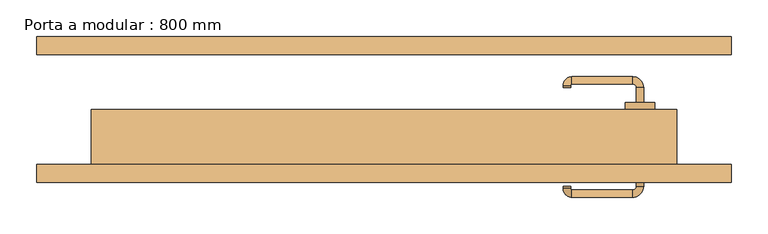
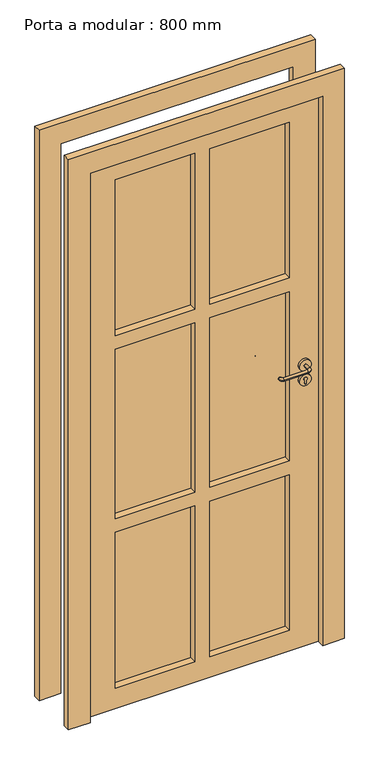
"""IFC4 building model written with IfcOpenShell, lengths in millimetres: door geometry, Porta a modular : 800 mm."""

from ifc_helpers import new_model, si_unit, point, frame, frame_2d, origin, origin_with_axes, place, context, project, spatial, polyline, circle_curve, ellipse_curve, trimmed, segment, composite_curve, outline, extrude, source, transform, mapped, element, save
from ifc_brep_helpers import plane_surface, cylinder_surface, revolved_surface, advanced_brep


def porta_a_modular_800_mm_17dca36c(model_context):
    return source(origin(), model_context, "Body", "SolidModel", [
        extrude(outline(composite_curve([segment(polyline([(962.8763376, 352.3084346), (974.135018, 352.3084346)]), True, "CONTINUOUS"), segment(trimmed(circle_curve(frame_2d((979.4570568, 350.0)), 5.8011178), [point((974.135018, 352.3084346))], [point((974.135018, 347.6915654))], False, "CARTESIAN"), True, "CONTINUOUS"), segment(polyline([(974.135018, 347.6915654), (962.8763376, 347.6915654)]), True, "CONTINUOUS"), segment(trimmed(circle_curve(frame_2d((962.8763376, 350.0056608)), 2.3140954), [point((962.8763376, 347.6915654))], [point((960.5622491, 350.0))], False, "CARTESIAN"), True, "CONTINUOUS"), segment(trimmed(circle_curve(frame_2d((962.8763376, 349.9943392)), 2.3140954), [point((960.5622491, 350.0))], [point((962.8763376, 352.3084346))], False, "CARTESIAN"), True, "CONTINUOUS")], self_intersect=False)), frame((0.0, 5.0, 0.0), z_axis=(0.0, 1.0, 0.0), x_axis=(0.0, 0.0, 1.0)), (0.0, 0.0, 1.0), 5.0),
        extrude(outline(composite_curve([segment(trimmed(circle_curve(frame_2d((974.8079154, 350.0)), 20.0), [point((974.8079154, 370.0))], [point((974.8079154, 330.0))], False, "CARTESIAN"), True, "CONTINUOUS"), segment(trimmed(circle_curve(frame_2d((974.8079154, 350.0)), 20.0), [point((974.8079154, 330.0))], [point((974.8079154, 370.0))], False, "CARTESIAN"), True, "CONTINUOUS")], self_intersect=False)), frame((0.0, 0.0, 0.0), z_axis=(0.0, 1.0, 0.0), x_axis=(0.0, 0.0, 1.0)), (0.0, 0.0, 1.0), 10.0),
        advanced_brep(
        [(355.0, 5.0, 1027.5), (345.0, 5.0, 1027.5), (345.0, 30.0, 1027.5), (355.0, 30.0, 1027.5), (340.0, 45.0, 1027.5), (340.0, 35.0, 1027.5), (245.0, 30.0, 1027.5), (255.0, 30.0, 1027.5), (257.0175282, 35.0, 1027.5), (257.0175282, 45.0, 1027.5), (245.0, 32.9824718, 1027.5), (255.0, 32.9824718, 1027.5)],
        [
            (0, 1, circle_curve(frame((350.0, 5.0, 1027.5), z_axis=(0.0, -1.0, 0.0), x_axis=(-1.0000000000000004, 0.0, 0.0)), 5.0)),
            (1, 0, circle_curve(frame((350.0, 5.0, 1027.5), z_axis=(0.0, -1.0, 0.0), x_axis=(-1.0000000000000004, 0.0, 0.0)), 5.0)),
            (1, 2),
            (2, 3, circle_curve(frame((350.0, 30.0, 1027.5), z_axis=(0.0, -1.0, 0.0), x_axis=(-1.0000000000000004, 0.0, 0.0)), 5.0)),
            (3, 0),
            (3, 2, circle_curve(frame((350.0, 30.0, 1027.5), z_axis=(0.0, -1.0, 0.0), x_axis=(-1.0000000000000004, 0.0, 0.0)), 5.0)),
            (4, 3, circle_curve(frame((340.0, 30.0, 1027.5), z_axis=(0.0, 0.0, -1.0), x_axis=(1.0000000000000004, 0.0, 0.0)), 15.0)),
            (2, 5, circle_curve(frame((340.0, 30.0, 1027.5), z_axis=(0.0, 0.0, 1.0), x_axis=(1.0000000000000004, 0.0, 0.0)), 5.0)),
            (5, 4, circle_curve(frame((340.0, 40.0, 1027.5), z_axis=(1.0000000000000004, 0.0, 0.0), x_axis=(0.0, -1.0000000000000004, 0.0)), 5.0)),
            (4, 5, circle_curve(frame((340.0, 40.0, 1027.5), z_axis=(1.0000000000000004, 0.0, 0.0), x_axis=(0.0, -1.0000000000000004, 0.0)), 5.0)),
            (6, 7, circle_curve(frame((250.0, 30.0, 1027.5), z_axis=(0.0, -1.0, 0.0), x_axis=(1.0000000000000004, 0.0, 0.0)), 5.0)),
            (7, 6, circle_curve(frame((250.0, 30.0, 1027.5), z_axis=(0.0, -1.0, 0.0), x_axis=(1.0000000000000004, 0.0, 0.0)), 5.0)),
            (5, 8),
            (8, 9, circle_curve(frame((257.0175282, 40.0, 1027.5), z_axis=(1.0, 0.0, 0.0), x_axis=(0.0, -1.0000000000000004, 0.0)), 5.0)),
            (9, 4),
            (9, 8, circle_curve(frame((257.0175282, 40.0, 1027.5), z_axis=(1.0, 0.0, 0.0), x_axis=(0.0, -1.0000000000000004, 0.0)), 5.0)),
            (10, 9, circle_curve(frame((257.0175282, 32.9824718, 1027.5), z_axis=(0.0, 0.0, -1.0), x_axis=(0.0, 1.0000000000000004, 0.0)), 12.0175282)),
            (8, 11, circle_curve(frame((257.0175282, 32.9824718, 1027.5), z_axis=(0.0, 0.0, 1.0), x_axis=(0.0, 1.0000000000000004, 0.0)), 2.0175282)),
            (11, 10, circle_curve(frame((250.0, 32.9824718, 1027.5), z_axis=(0.0, 1.0000000000000004, 0.0), x_axis=(1.0000000000000004, 0.0, 0.0)), 5.0)),
            (10, 11, circle_curve(frame((250.0, 32.9824718, 1027.5), z_axis=(0.0, 1.0000000000000004, 0.0), x_axis=(1.0000000000000004, 0.0, 0.0)), 5.0)),
            (11, 7),
            (6, 10),
        ],
        [
            plane_surface(frame((350.0, 5.0, 127.5), z_axis=(0.0, -1.0, 0.0), x_axis=(0.0, 0.0, 1.0))),
            cylinder_surface(frame((350.0, 5.0, 1027.5), z_axis=(0.0, -1.0000000000000004, 0.0), x_axis=(-1.0000000000000004, 0.0, 0.0)), 5.0),
            revolved_surface(trimmed(ellipse_curve(frame((350.0, 30.0, 1027.5), z_axis=(0.0, -1.0000000000000004, 0.0), x_axis=(-1.0000000000000004, 0.0, 0.0)), 5.0, 5.0), [point((345.0, 30.0, 1027.5))], [point((355.0, 30.0, 1027.5))], True, "CARTESIAN"), (340.0, 30.0, 127.5), (0.0, 0.0, 1.0)),
            revolved_surface(trimmed(ellipse_curve(frame((350.0, 30.0, 1027.5), z_axis=(0.0, -1.0000000000000004, 0.0), x_axis=(-1.0000000000000004, 0.0, 0.0)), 5.0, 5.0), [point((355.0, 30.0, 1027.5))], [point((345.0, 30.0, 1027.5))], True, "CARTESIAN"), (340.0, 30.0, 127.5), (0.0, 0.0, 1.0)),
            plane_surface(frame((250.0, 30.0, 127.5), z_axis=(0.0, -1.0, 0.0), x_axis=(0.0, 0.0, 1.0))),
            cylinder_surface(frame((340.0, 40.0, 1027.5), z_axis=(1.0000000000000004, 0.0, 0.0), x_axis=(0.0, -1.0000000000000004, 0.0)), 5.0),
            revolved_surface(trimmed(ellipse_curve(frame((257.0175282, 40.0, 1027.5), z_axis=(1.0000000000000004, 0.0, 0.0), x_axis=(0.0, -1.0000000000000004, 0.0)), 5.0, 5.0), [point((257.0175282, 35.0, 1027.5))], [point((257.0175282, 45.0, 1027.5))], True, "CARTESIAN"), (257.0175282, 32.9824718, 127.5), (0.0, 0.0, 1.0)),
            revolved_surface(trimmed(ellipse_curve(frame((257.0175282, 40.0, 1027.5), z_axis=(1.0000000000000004, 0.0, 0.0), x_axis=(0.0, -1.0000000000000004, 0.0)), 5.0, 5.0), [point((257.0175282, 45.0, 1027.5))], [point((257.0175282, 35.0, 1027.5))], True, "CARTESIAN"), (257.0175282, 32.9824718, 127.5), (0.0, 0.0, 1.0)),
            cylinder_surface(frame((250.0, 32.9824718, 1027.5), z_axis=(0.0, 1.0000000000000004, 0.0), x_axis=(1.0000000000000004, 0.0, 0.0)), 5.0),
        ],
        [
            (0, [[1, 2]]),
            (1, [[-2, 3, 4, 5]]),
            (1, [[-1, -5, 6, -3]]),
            (2, [[7, -4, 8, 9]]),
            (3, [[-8, -6, -7, 10]]),
            (4, [[11, 12]]),
            (5, [[-9, 13, 14, 15]]),
            (5, [[-10, -15, 16, -13]]),
            (6, [[17, -14, 18, 19]]),
            (7, [[-18, -16, -17, 20]]),
            (8, [[-19, 21, -11, 22]]),
            (8, [[-20, -22, -12, -21]]),
        ],
    ),
        extrude(outline(composite_curve([segment(trimmed(circle_curve(frame_2d((1027.5, 350.0)), 20.0), [point((1027.5, 370.0))], [point((1027.5, 330.0))], False, "CARTESIAN"), True, "CONTINUOUS"), segment(trimmed(circle_curve(frame_2d((1027.5, 350.0)), 20.0), [point((1027.5, 330.0))], [point((1027.5, 370.0))], False, "CARTESIAN"), True, "CONTINUOUS")], self_intersect=False)), frame((0.0, 0.0, 0.0), z_axis=(0.0, 1.0, 0.0), x_axis=(0.0, 0.0, 1.0)), (0.0, 0.0, 1.0), 10.0),
        extrude(outline(composite_curve([segment(polyline([(962.8763376, 352.3084346), (974.135018, 352.3084346)]), True, "CONTINUOUS"), segment(trimmed(circle_curve(frame_2d((979.4570568, 350.0)), 5.8011178), [point((974.135018, 352.3084346))], [point((974.135018, 347.6915654))], False, "CARTESIAN"), True, "CONTINUOUS"), segment(polyline([(974.135018, 347.6915654), (962.8763376, 347.6915654)]), True, "CONTINUOUS"), segment(trimmed(circle_curve(frame_2d((962.8763376, 350.0056608)), 2.3140954), [point((962.8763376, 347.6915654))], [point((960.5622491, 350.0))], False, "CARTESIAN"), True, "CONTINUOUS"), segment(trimmed(circle_curve(frame_2d((962.8763376, 349.9943392)), 2.3140954), [point((960.5622491, 350.0))], [point((962.8763376, 352.3084346))], False, "CARTESIAN"), True, "CONTINUOUS")], self_intersect=False)), frame((0.0, -85.0, 0.0), z_axis=(0.0, 1.0, 0.0), x_axis=(0.0, 0.0, 1.0)), (0.0, 0.0, 1.0), 5.0),
        extrude(outline(composite_curve([segment(trimmed(circle_curve(frame_2d((974.8079154, 350.0)), 20.0), [point((974.8079154, 370.0))], [point((974.8079154, 330.0))], False, "CARTESIAN"), True, "CONTINUOUS"), segment(trimmed(circle_curve(frame_2d((974.8079154, 350.0)), 20.0), [point((974.8079154, 330.0))], [point((974.8079154, 370.0))], False, "CARTESIAN"), True, "CONTINUOUS")], self_intersect=False)), frame((0.0, -85.0, 0.0), z_axis=(0.0, 1.0, 0.0), x_axis=(0.0, 0.0, 1.0)), (0.0, 0.0, 1.0), 10.0),
        advanced_brep(
        [(355.0, -80.0, 1027.5), (345.0, -80.0, 1027.5), (355.0, -105.0, 1027.5), (345.0, -105.0, 1027.5), (340.0, -120.0, 1027.5), (340.0, -110.0, 1027.5), (245.0, -105.0, 1027.5), (255.0, -105.0, 1027.5), (257.0175282, -120.0, 1027.5), (257.0175282, -110.0, 1027.5), (245.0, -107.9824718, 1027.5), (255.0, -107.9824718, 1027.5)],
        [
            (0, 1, circle_curve(frame((350.0, -80.0, 1027.5), z_axis=(0.0, 1.0, 0.0), x_axis=(-1.0000000000000004, 0.0, 0.0)), 5.0)),
            (1, 0, circle_curve(frame((350.0, -80.0, 1027.5), z_axis=(0.0, 1.0, 0.0), x_axis=(-1.0000000000000004, 0.0, 0.0)), 5.0)),
            (0, 2),
            (2, 3, circle_curve(frame((350.0, -105.0, 1027.5), z_axis=(0.0, 1.0, 0.0), x_axis=(-1.0000000000000004, 0.0, 0.0)), 5.0)),
            (3, 1),
            (3, 2, circle_curve(frame((350.0, -105.0, 1027.5), z_axis=(0.0, 1.0, 0.0), x_axis=(-1.0000000000000004, 0.0, 0.0)), 5.0)),
            (4, 5, circle_curve(frame((340.0, -115.0, 1027.5), z_axis=(1.0000000000000004, 0.0, 0.0), x_axis=(0.0, 1.0000000000000004, 0.0)), 5.0)),
            (5, 3, circle_curve(frame((340.0, -105.0, 1027.5), z_axis=(0.0, 0.0, 1.0), x_axis=(1.0000000000000004, 0.0, 0.0)), 5.0)),
            (2, 4, circle_curve(frame((340.0, -105.0, 1027.5), z_axis=(0.0, 0.0, -1.0), x_axis=(1.0000000000000004, 0.0, 0.0)), 15.0)),
            (5, 4, circle_curve(frame((340.0, -115.0, 1027.5), z_axis=(1.0000000000000004, 0.0, 0.0), x_axis=(0.0, 1.0000000000000004, 0.0)), 5.0)),
            (6, 7, circle_curve(frame((250.0, -105.0, 1027.5), z_axis=(0.0, 1.0, 0.0), x_axis=(1.0000000000000004, 0.0, 0.0)), 5.0)),
            (7, 6, circle_curve(frame((250.0, -105.0, 1027.5), z_axis=(0.0, 1.0, 0.0), x_axis=(1.0000000000000004, 0.0, 0.0)), 5.0)),
            (4, 8),
            (8, 9, circle_curve(frame((257.0175282, -115.0, 1027.5), z_axis=(1.0, 0.0, 0.0), x_axis=(0.0, 1.0000000000000004, 0.0)), 5.0)),
            (9, 5),
            (9, 8, circle_curve(frame((257.0175282, -115.0, 1027.5), z_axis=(1.0, 0.0, 0.0), x_axis=(0.0, 1.0000000000000004, 0.0)), 5.0)),
            (10, 11, circle_curve(frame((250.0, -107.9824718, 1027.5), z_axis=(0.0, -1.0000000000000004, 0.0), x_axis=(1.0000000000000004, 0.0, 0.0)), 5.0)),
            (11, 9, circle_curve(frame((257.0175282, -107.9824718, 1027.5), z_axis=(0.0, 0.0, 1.0), x_axis=(0.0, -1.0000000000000004, 0.0)), 2.0175282)),
            (8, 10, circle_curve(frame((257.0175282, -107.9824718, 1027.5), z_axis=(0.0, 0.0, -1.0), x_axis=(0.0, -1.0000000000000004, 0.0)), 12.0175282)),
            (11, 10, circle_curve(frame((250.0, -107.9824718, 1027.5), z_axis=(0.0, -1.0000000000000004, 0.0), x_axis=(1.0000000000000004, 0.0, 0.0)), 5.0)),
            (10, 6),
            (7, 11),
        ],
        [
            plane_surface(frame((350.0, -80.0, 127.5), z_axis=(0.0, 1.0, 0.0), x_axis=(0.0, 0.0, 1.0))),
            cylinder_surface(frame((350.0, -80.0, 1027.5), z_axis=(0.0, 1.0000000000000004, 0.0), x_axis=(-1.0000000000000004, 0.0, 0.0)), 5.0),
            revolved_surface(trimmed(ellipse_curve(frame((350.0, -105.0, 1027.5), z_axis=(0.0, -1.0000000000000004, 0.0), x_axis=(-1.0000000000000004, 0.0, 0.0)), 5.0, 5.0), [point((345.0, -105.0, 1027.5))], [point((355.0, -105.0, 1027.5))], True, "CARTESIAN"), (340.0, -105.0, 127.5), (0.0, 0.0, 1.0)),
            revolved_surface(trimmed(ellipse_curve(frame((350.0, -105.0, 1027.5), z_axis=(0.0, -1.0000000000000004, 0.0), x_axis=(-1.0000000000000004, 0.0, 0.0)), 5.0, 5.0), [point((355.0, -105.0, 1027.5))], [point((345.0, -105.0, 1027.5))], True, "CARTESIAN"), (340.0, -105.0, 127.5), (0.0, 0.0, 1.0)),
            plane_surface(frame((250.0, -105.0, 127.5), z_axis=(0.0, 1.0, 0.0), x_axis=(0.0, 0.0, 1.0))),
            cylinder_surface(frame((340.0, -115.0, 1027.5), z_axis=(1.0000000000000004, 0.0, 0.0), x_axis=(0.0, 1.0000000000000004, 0.0)), 5.0),
            revolved_surface(trimmed(ellipse_curve(frame((257.0175282, -115.0, 1027.5), z_axis=(-1.0000000000000004, 0.0, 0.0), x_axis=(0.0, 1.0000000000000004, 0.0)), 5.0, 5.0), [point((257.0175282, -110.0, 1027.5))], [point((257.0175282, -120.0, 1027.5))], True, "CARTESIAN"), (257.0175282, -107.9824718, 127.5), (0.0, 0.0, 1.0)),
            revolved_surface(trimmed(ellipse_curve(frame((257.0175282, -115.0, 1027.5), z_axis=(-1.0000000000000004, 0.0, 0.0), x_axis=(0.0, 1.0000000000000004, 0.0)), 5.0, 5.0), [point((257.0175282, -120.0, 1027.5))], [point((257.0175282, -110.0, 1027.5))], True, "CARTESIAN"), (257.0175282, -107.9824718, 127.5), (0.0, 0.0, 1.0)),
            cylinder_surface(frame((250.0, -107.9824718, 1027.5), z_axis=(0.0, -1.0000000000000004, 0.0), x_axis=(1.0000000000000004, 0.0, 0.0)), 5.0),
        ],
        [
            (0, [[1, 2]]),
            (1, [[3, 4, 5, -1]]),
            (1, [[-5, 6, -3, -2]]),
            (2, [[7, 8, -4, 9]]),
            (3, [[10, -9, -6, -8]]),
            (4, [[11, 12]]),
            (5, [[13, 14, 15, -7]]),
            (5, [[-15, 16, -13, -10]]),
            (6, [[17, 18, -14, 19]]),
            (7, [[20, -19, -16, -18]]),
            (8, [[21, -12, 22, -17]]),
            (8, [[-22, -11, -21, -20]]),
        ],
    ),
        extrude(outline(composite_curve([segment(trimmed(circle_curve(frame_2d((1027.5, 350.0)), 20.0), [point((1027.5, 370.0))], [point((1027.5, 330.0))], False, "CARTESIAN"), True, "CONTINUOUS"), segment(trimmed(circle_curve(frame_2d((1027.5, 350.0)), 20.0), [point((1027.5, 330.0))], [point((1027.5, 370.0))], False, "CARTESIAN"), True, "CONTINUOUS")], self_intersect=False)), frame((0.0, -85.0, 0.0), z_axis=(0.0, 1.0, 0.0), x_axis=(0.0, 0.0, 1.0)), (0.0, 0.0, 1.0), 10.0),
        extrude(outline(polyline([(2000.0, -400.0), (2000.0, 400.0), (0.0, 400.0), (0.0, 475.0), (2075.0, 475.0), (2075.0, -475.0), (0.0, -475.0), (0.0, -400.0), (2000.0, -400.0)])), frame((0.0, -100.0, 0.0), z_axis=(0.0, 1.0, 0.0), x_axis=(0.0, 0.0, 1.0)), (0.0, 0.0, 1.0), 25.0),
        extrude(outline(polyline([(2075.0, -475.0), (0.0, -475.0), (0.0, -400.0), (2000.0, -400.0), (2000.0, 400.0), (0.0, 400.0), (0.0, 475.0), (2075.0, 475.0), (2075.0, -475.0)])), frame((0.0, 75.0, 0.0), z_axis=(0.0, 1.0, 0.0), x_axis=(0.0, 0.0, 1.0)), (0.0, 0.0, 1.0), 25.0),
        extrude(outline(polyline([(-300.0, -50.0), (-300.0, -25.0), (-25.0, -25.0), (-25.0, -50.0), (-300.0, -50.0)])), frame((0.0, 0.0, 691.7), z_axis=(0.0, 0.0, 1.0), x_axis=(1.0, 0.0, 0.0)), (0.0, 0.0, 1.0), 616.7),
        extrude(outline(polyline([(300.0, -50.0), (25.0, -50.0), (25.0, -25.0), (300.0, -25.0), (300.0, -50.0)])), frame((0.0, 0.0, 691.7), z_axis=(0.0, 0.0, 1.0), x_axis=(1.0, 0.0, 0.0)), (0.0, 0.0, 1.0), 616.7),
        extrude(outline(polyline([(2000.0, -400.0), (0.0, -400.0), (0.0, 400.0), (2000.0, 400.0), (2000.0, -400.0)]), holes=[polyline([(1308.4, -25.0), (691.7, -25.0), (691.7, -300.0), (1308.4, -300.0), (1308.4, -25.0)]), polyline([(1308.4, 300.0), (691.7, 300.0), (691.7, 25.0), (1308.4, 25.0), (1308.4, 300.0)]), polyline([(641.7, 300.0), (75.0, 300.0), (75.0, 25.0), (641.7, 25.0), (641.7, 300.0)]), polyline([(641.7, -25.0), (75.0, -25.0), (75.0, -300.0), (641.7, -300.0), (641.7, -25.0)]), polyline([(1925.0333333, 300.0), (1358.3333333, 300.0), (1358.3333333, 25.0), (1925.0333333, 25.0), (1925.0333333, 300.0)]), polyline([(1925.0333333, -25.0), (1358.3333333, -25.0), (1358.3333333, -300.0), (1925.0333333, -300.0), (1925.0333333, -25.0)])]), frame((0.0, -75.0, 0.0), z_axis=(0.0, 1.0, 0.0), x_axis=(0.0, 0.0, 1.0)), (0.0, 0.0, 1.0), 75.0),
        extrude(outline(polyline([(-300.0, -50.0), (-300.0, -25.0), (-25.0, -25.0), (-25.0, -50.0), (-300.0, -50.0)])), frame((0.0, 0.0, 1358.3333333), z_axis=(0.0, 0.0, 1.0), x_axis=(1.0, 0.0, 0.0)), (0.0, 0.0, 1.0), 566.7),
        extrude(outline(polyline([(300.0, -50.0), (25.0, -50.0), (25.0, -25.0), (300.0, -25.0), (300.0, -50.0)])), frame((0.0, 0.0, 1358.3333333), z_axis=(0.0, 0.0, 1.0), x_axis=(1.0, 0.0, 0.0)), (0.0, 0.0, 1.0), 566.7),
        extrude(outline(polyline([(300.0, -50.0), (25.0, -50.0), (25.0, -25.0), (300.0, -25.0), (300.0, -50.0)])), frame((0.0, 0.0, 50.0), z_axis=(0.0, 0.0, 1.0), x_axis=(1.0, 0.0, 0.0)), (0.0, 0.0, 1.0), 604.2),
        extrude(outline(polyline([(-300.0, -50.0), (-300.0, -25.0), (-25.0, -25.0), (-25.0, -50.0), (-300.0, -50.0)])), origin_with_axes(), (0.0, 0.0, 1.0), 641.7),
    ])


if __name__ == "__main__":
    model = new_model("IFC4")
    model_context = context("Model", 3, world=origin())
    ifc_project = project(units=[si_unit("LENGTHUNIT", "METRE", prefix="MILLI")], contexts=[model_context])
    site = spatial("IfcSite", under=ifc_project)
    building = spatial("IfcBuilding", under=site)
    placement = place(None, origin())
    porta_a_modular_800_mm_shape = porta_a_modular_800_mm_17dca36c(model_context)
    element("IfcDoor", 1, ObjectType="Porta a modular : 800 mm", at=placement, inside=building, context=model_context, shape_type="MappedRepresentation", body=[
        mapped(porta_a_modular_800_mm_shape, transform((0.0, 0.0, 0.0), x_axis=(1.0, 0.0, 0.0), y_axis=(0.0, 1.0, 0.0), z_axis=(0.0, 0.0, 1.0))),
    ])
    save(model, "model.ifc")
